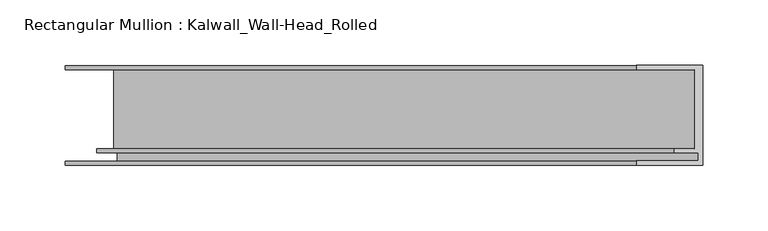
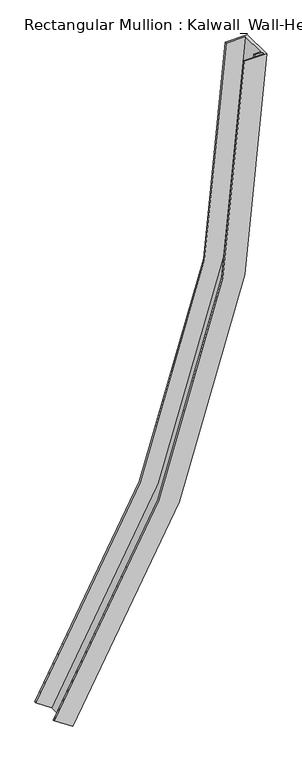
"""IFC4 building model written with IfcOpenShell, lengths in millimetres: member geometry, Rectangular Mullion : Kalwall_Wall-Head_Rolled."""

from ifc_helpers import new_model, si_unit, frame, origin, place, context, project, spatial, polyline, circle_curve, source, transform, mapped, element, save
from ifc_brep_helpers import plane_surface, cylinder_surface, revolved_surface, advanced_brep


def rectangular_mullion_kalwall_wall_head_rolled_6c0767f8(model_context):
    return source(origin(), model_context, "Body", "AdvancedBrep", [
        advanced_brep(
        [(-486.9787041, 38.0270489, -1446.5770576), (-50.8, 38.0270489, 0.0), (0.0, 38.0270489, 0.0), (-444.646058, 38.0270489, -1474.6588502), (-486.9787041, 34.8520489, -1446.5770576), (-50.8, 34.8520489, 0.0), (-449.9376388, 34.8520489, -1471.1486262), (-6.35, 34.8520489, 0.0), (-449.9376388, -25.4729511, -1471.1486262), (-6.35, -25.4729511, 0.0), (-463.1665907, -25.4729511, -1462.373066), (-22.225, -25.4729511, 0.0), (-463.1665907, -28.6479511, -1462.373066), (-22.225, -28.6479511, 0.0), (-447.2918484, -28.6479511, -1472.9037382), (-3.175, -28.6479511, 0.0), (-447.2918484, -34.9979511, -1472.9037382), (-3.175, -34.9979511, 0.0), (-486.9787041, -34.9979511, -1446.5770576), (-50.8, -34.9979511, 0.0), (-486.9787041, -38.1729511, -1446.5770576), (-50.8, -38.1729511, 0.0), (-444.646058, -38.1729511, -1474.6588502), (0.0, -38.1729511, 0.0)],
        [
            (0, 1, circle_curve(frame((-2667.6598146, 38.0270489, 0.0), z_axis=(0.0, -1.0, 0.0), x_axis=(1.0, 0.0, 0.0)), 2616.8598146)),
            (1, 2),
            (2, 3, circle_curve(frame((-2667.6598146, 38.0270489, 0.0), z_axis=(0.0, 1.0, 0.0), x_axis=(1.0, 0.0, 0.0)), 2667.6598146)),
            (3, 0),
            (4, 5, circle_curve(frame((-2667.6598146, 34.8520489, 0.0), z_axis=(0.0, -1.0, 0.0), x_axis=(1.0, 0.0, 0.0)), 2616.8598146)),
            (5, 1),
            (0, 4),
            (6, 7, circle_curve(frame((-2667.6598146, 34.8520489, 0.0), z_axis=(0.0, -1.0, 0.0), x_axis=(1.0, 0.0, 0.0)), 2661.3098146)),
            (7, 5),
            (4, 6),
            (8, 9, circle_curve(frame((-2667.6598146, -25.4729511, 0.0), z_axis=(0.0, -1.0, 0.0), x_axis=(1.0, 0.0, 0.0)), 2661.3098146)),
            (9, 7),
            (6, 8),
            (10, 11, circle_curve(frame((-2667.6598146, -25.4729511, 0.0), z_axis=(0.0, -1.0, 0.0), x_axis=(1.0, 0.0, 0.0)), 2645.4348146)),
            (11, 9),
            (8, 10),
            (12, 13, circle_curve(frame((-2667.6598146, -28.6479511, 0.0), z_axis=(0.0, -1.0, 0.0), x_axis=(1.0, 0.0, 0.0)), 2645.4348146)),
            (13, 11),
            (10, 12),
            (14, 15, circle_curve(frame((-2667.6598146, -28.6479511, 0.0), z_axis=(0.0, -1.0, 0.0), x_axis=(1.0, 0.0, 0.0)), 2664.4848146)),
            (15, 13),
            (12, 14),
            (16, 17, circle_curve(frame((-2667.6598146, -34.9979511, 0.0), z_axis=(0.0, -1.0, 0.0), x_axis=(1.0, 0.0, 0.0)), 2664.4848146)),
            (17, 15),
            (14, 16),
            (18, 19, circle_curve(frame((-2667.6598146, -34.9979511, 0.0), z_axis=(0.0, -1.0, 0.0), x_axis=(1.0, 0.0, 0.0)), 2616.8598146)),
            (19, 17),
            (16, 18),
            (20, 21, circle_curve(frame((-2667.6598146, -38.1729511, 0.0), z_axis=(0.0, -1.0, 0.0), x_axis=(1.0, 0.0, 0.0)), 2616.8598146)),
            (21, 19),
            (18, 20),
            (22, 23, circle_curve(frame((-2667.6598146, -38.1729511, 0.0), z_axis=(0.0, -1.0, 0.0), x_axis=(1.0, 0.0, 0.0)), 2667.6598146)),
            (23, 21),
            (20, 22),
            (2, 23),
            (22, 3),
        ],
        [
            plane_surface(frame((-2667.6598146, 38.0270489, 0.0), z_axis=(0.0, 1.0, 0.0), x_axis=(1.0, 0.0, 0.0))),
            revolved_surface(polyline([(-50.80000000000018, 38.0270489, 0.0), (-50.80000000000018, 34.8520489, 0.0)]), (-2667.6598146, 0.0, 0.0), (0.0, 1.0, 0.0)),
            plane_surface(frame((-2667.6598146, 34.8520489, 0.0), z_axis=(0.0, -1.0, 0.0), x_axis=(1.0, 0.0, 0.0))),
            revolved_surface(polyline([(-6.349999999999909, 34.8520489, 0.0), (-6.349999999999909, -25.4729511, 0.0)]), (-2667.6598146, 0.0, 0.0), (0.0, 1.0, 0.0)),
            plane_surface(frame((-2667.6598146, -25.4729511, 0.0), z_axis=(0.0, 1.0, 0.0), x_axis=(1.0, 0.0, 0.0))),
            revolved_surface(polyline([(-22.22499999999991, -25.4729511, 0.0), (-22.22499999999991, -28.6479511, 0.0)]), (-2667.6598146, 0.0, 0.0), (0.0, 1.0, 0.0)),
            plane_surface(frame((-2667.6598146, -28.6479511, 0.0), z_axis=(0.0, -1.0, 0.0), x_axis=(1.0, 0.0, 0.0))),
            revolved_surface(polyline([(-3.175000000000182, -28.6479511, 0.0), (-3.175000000000182, -34.9979511, 0.0)]), (-2667.6598146, 0.0, 0.0), (0.0, 1.0, 0.0)),
            plane_surface(frame((-2667.6598146, -34.9979511, 0.0), z_axis=(0.0, 1.0, 0.0), x_axis=(1.0, 0.0, 0.0))),
            revolved_surface(polyline([(-50.80000000000018, -34.9979511, 0.0), (-50.80000000000018, -38.1729511, 0.0)]), (-2667.6598146, 0.0, 0.0), (0.0, 1.0, 0.0)),
            plane_surface(frame((-2667.6598146, -38.1729511, 0.0), z_axis=(0.0, -1.0, 0.0), x_axis=(1.0, 0.0, 0.0))),
            cylinder_surface(frame((-2667.6598146, 0.0, 0.0), z_axis=(0.0, 1.0, 0.0), x_axis=(1.0, 0.0, 0.0)), 2667.6598146),
            plane_surface(frame((-304.8, 0.0, 0.0), z_axis=(0.0, 0.0, 1.0), x_axis=(0.0, 1.0, 0.0))),
            plane_surface(frame((-190.6501815, 0.0, -1643.1496057), z_axis=(-0.5527911925528733, 0.0, -0.8333198050184408), x_axis=(0.0, -1.0, 0.0))),
        ],
        [
            (0, [[1, 2, 3, 4]]),
            (1, [[5, 6, -1, 7]]),
            (2, [[8, 9, -5, 10]]),
            (3, [[11, 12, -8, 13]]),
            (4, [[14, 15, -11, 16]]),
            (5, [[17, 18, -14, 19]]),
            (6, [[20, 21, -17, 22]]),
            (7, [[23, 24, -20, 25]]),
            (8, [[26, 27, -23, 28]]),
            (9, [[29, 30, -26, 31]]),
            (10, [[32, 33, -29, 34]]),
            (11, [[-3, 35, -32, 36]]),
            (12, [[-2, -6, -9, -12, -15, -18, -21, -24, -27, -30, -33, -35]]),
            (13, [[-36, -34, -31, -28, -25, -22, -19, -16, -13, -10, -7, -4]]),
        ],
    ),
    ])


if __name__ == "__main__":
    model = new_model("IFC4")
    model_context = context("Model", 3, world=origin())
    ifc_project = project(units=[si_unit("LENGTHUNIT", "METRE", prefix="MILLI")], contexts=[model_context])
    site = spatial("IfcSite", under=ifc_project)
    building = spatial("IfcBuilding", under=site)
    placement = place(None, origin())
    rectangular_mullion_kalwall_wall_head_rolled_shape = rectangular_mullion_kalwall_wall_head_rolled_6c0767f8(model_context)
    element("IfcMember", 1, ObjectType="Rectangular Mullion : Kalwall_Wall-Head_Rolled", at=placement, inside=building, context=model_context, shape_type="MappedRepresentation", body=[
        mapped(rectangular_mullion_kalwall_wall_head_rolled_shape, transform((0.0, 0.0, 0.0), x_axis=(1.0, 0.0, 0.0), y_axis=(0.0, 1.0, 0.0), z_axis=(0.0, 0.0, 1.0))),
    ])
    save(model, "model.ifc")
